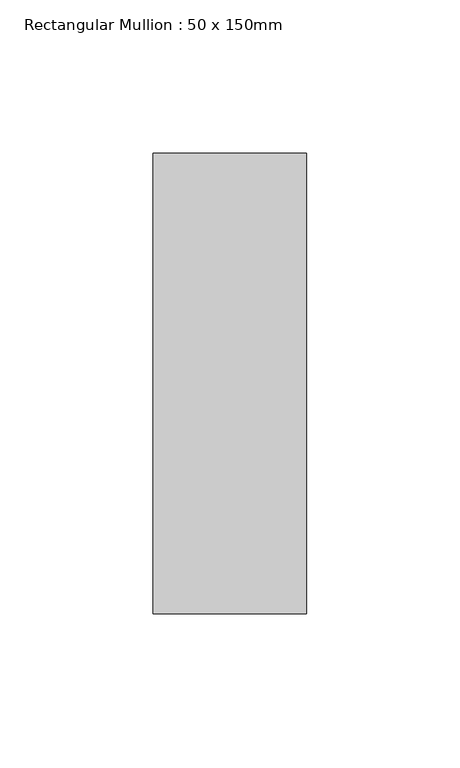
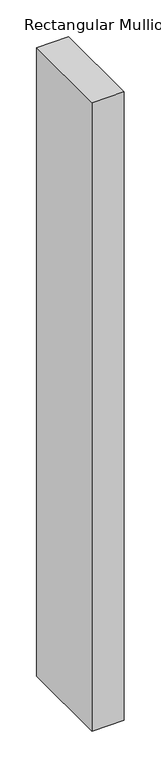
"""IFC4 building model written with IfcOpenShell, lengths in millimetres: member geometry, Rectangular Mullion : 50 x 150mm."""

from ifc_helpers import new_model, si_unit, frame, origin, place, context, project, spatial, polyline, outline, extrude, source, transform, mapped, element, save


def rectangular_mullion_50_x_150mm_98966863(model_context):
    return source(origin(), model_context, "Body", "SweptSolid", [
        extrude(outline(polyline([(25.0, 75.0), (25.0, -75.0), (-25.0, -75.0), (-25.0, 75.0), (25.0, 75.0)])), frame((0.0, 0.0, -1038.3333333), z_axis=(0.0, 0.0, 1.0), x_axis=(1.0, 0.0, 0.0)), (0.0, 0.0, 1.0), 1038.3333333),
    ])


if __name__ == "__main__":
    model = new_model("IFC4")
    model_context = context("Model", 3, world=origin())
    ifc_project = project(units=[si_unit("LENGTHUNIT", "METRE", prefix="MILLI")], contexts=[model_context])
    site = spatial("IfcSite", under=ifc_project)
    building = spatial("IfcBuilding", under=site)
    placement = place(None, origin())
    rectangular_mullion_50_x_150mm_shape = rectangular_mullion_50_x_150mm_98966863(model_context)
    element("IfcMember", 1, ObjectType="Rectangular Mullion : 50 x 150mm", at=placement, inside=building, context=model_context, shape_type="MappedRepresentation", body=[
        mapped(rectangular_mullion_50_x_150mm_shape, transform((0.0, 0.0, 0.0), x_axis=(1.0, 0.0, 0.0), y_axis=(0.0, 1.0, 0.0), z_axis=(0.0, 0.0, 1.0))),
    ])
    save(model, "model.ifc")
